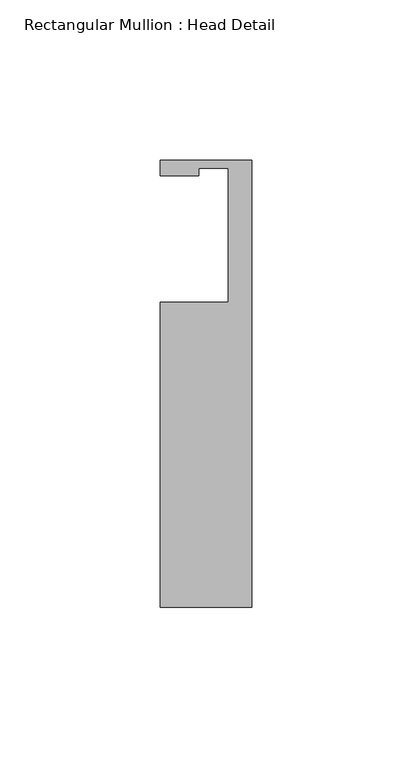
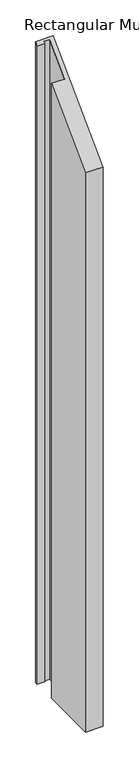
"""IFC4 building model written with IfcOpenShell, lengths in millimetres: member geometry, Rectangular Mullion : Head Detail."""

from ifc_helpers import new_model, si_unit, origin, place, context, project, spatial, faceted_brep, source, transform, mapped, element, save


def rectangular_mullion_head_detail_ce836ef5(model_context):
    return source(origin(), model_context, "Body", "Brep", [
        faceted_brep([(-28.575, -19.05, -1073.3369265), (-7.3152, -19.05, -1073.3369265), (-7.3152, 22.86, -1073.3369265), (-16.4846, 22.86, -1073.3369265), (-16.4846, 20.5232, -1073.3369265), (-28.575, 20.5232, -1073.3369265), (-28.575, 25.4, -1073.3369265), (0.0, 25.4, -1073.3369265), (0.0, -114.3, -1073.3369265), (-28.575, -114.3, -1073.3369265), (-28.575, -114.3, -117.475), (-28.575, -19.05, -22.225), (0.0, -114.3, -117.475), (0.0, 25.4, 22.225), (-28.575, 25.4, 22.225), (-28.575, 20.5232, 17.3482), (-16.4846, 20.5232, 17.3482), (-16.4846, 22.86, 19.685), (-7.3152, 22.86, 19.685), (-7.3152, -19.05, -22.225)], [[[0, 1, 2, 3, 4, 5, 6, 7, 8, 9]], [[10, 11, 0, 9]], [[12, 10, 9, 8]], [[13, 12, 8, 7]], [[14, 13, 7, 6]], [[15, 14, 6, 5]], [[16, 15, 5, 4]], [[17, 16, 4, 3]], [[18, 17, 3, 2]], [[19, 18, 2, 1]], [[11, 19, 1, 0]], [[11, 10, 12, 13, 14, 15, 16, 17, 18, 19]]]),
    ])


if __name__ == "__main__":
    model = new_model("IFC4")
    model_context = context("Model", 3, world=origin())
    ifc_project = project(units=[si_unit("LENGTHUNIT", "METRE", prefix="MILLI")], contexts=[model_context])
    site = spatial("IfcSite", under=ifc_project)
    building = spatial("IfcBuilding", under=site)
    placement = place(None, origin())
    rectangular_mullion_head_detail_shape = rectangular_mullion_head_detail_ce836ef5(model_context)
    element("IfcMember", 1, ObjectType="Rectangular Mullion : Head Detail", at=placement, inside=building, context=model_context, shape_type="MappedRepresentation", body=[
        mapped(rectangular_mullion_head_detail_shape, transform((0.0, 0.0, 0.0), x_axis=(1.0, 0.0, 0.0), y_axis=(0.0, 1.0, 0.0), z_axis=(0.0, 0.0, 1.0))),
    ])
    save(model, "model.ifc")
